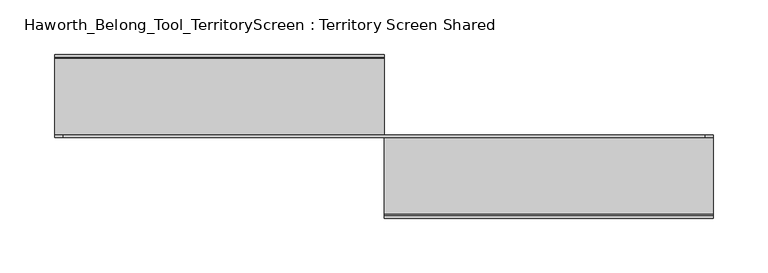
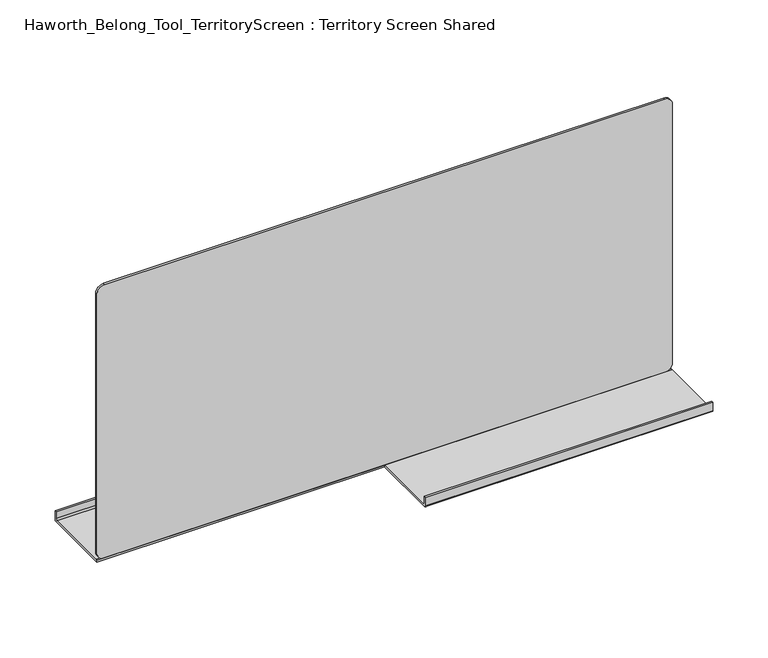
"""IFC4 building model written with IfcOpenShell, lengths in millimetres: furniture geometry, Haworth_Belong_Tool_TerritoryScreen : Territory Screen Shared."""

import ifcopenshell
import ifcopenshell.guid

model = None  # the IFC model being written
_history = None  # IfcOwnerHistory: only IFC2X3 demands one
_inside = {}  # id of a spatial element -> (the spatial element, [elements in it])
_under = {}  # id of a project, library or spatial element -> (it, [spatial elements below it])
_declared = {}  # id of a project -> (the project, [libraries it declares])
_typed = {}  # id of a type object -> (the type object, [elements of that type])
_made_of = {}  # id of a material, layer set ... -> (it, [elements and type objects made of it])


def new_model(schema):
    """Start an empty IFC model of exactly this schema.

    Asked for "IFC4X3", IfcOpenShell would pick the latest addendum, in which some entities
    have other attributes; the version numbers below select the first issue.
    IFC2X3 requires an IfcOwnerHistory on every rooted entity: one is made here for all.
    """
    global model, _history
    if schema == "IFC4X3":
        model = ifcopenshell.file(schema_version=(4, 3, 0, 0))
    else:
        model = ifcopenshell.file(schema=schema)
    _inside.clear()
    _under.clear()
    _declared.clear()
    _typed.clear()
    _made_of.clear()
    _history = None
    if model.schema == "IFC2X3":
        org = make("IfcOrganization", Name="unknown")
        user = make(
            "IfcPersonAndOrganization",
            ThePerson=make("IfcPerson", FamilyName="unknown"),
            TheOrganization=org,
        )
        app = make(
            "IfcApplication",
            ApplicationDeveloper=org,
            Version="unknown",
            ApplicationFullName="unknown",
            ApplicationIdentifier="unknown",
        )
        _history = make(
            "IfcOwnerHistory",
            OwningUser=user,
            OwningApplication=app,
            ChangeAction="ADDED",
            CreationDate=0,
        )
    return model


def make(cls, **values):
    """One entity of the class cls with the attributes given. An attribute that is None is left unset."""
    return model.create_entity(
        cls, **{name: value for name, value in values.items() if value is not None}
    )


def rooted(cls, **values):
    """An entity with a GlobalId (a new one), such as an element, a storey or a relation."""
    return make(cls, GlobalId=ifcopenshell.guid.new(), OwnerHistory=_history, **values)


def si_unit(unit_type, name, prefix=None):
    """IfcSIUnit, for example si_unit("LENGTHUNIT", "METRE", prefix="MILLI")."""
    return make("IfcSIUnit", UnitType=unit_type, Prefix=prefix, Name=name)


def assignment(units):
    """IfcUnitAssignment: the units of a project."""
    return None if units is None else make("IfcUnitAssignment", Units=units)


def point(xyz):
    """IfcCartesianPoint."""
    return None if xyz is None else make("IfcCartesianPoint", Coordinates=xyz)


def direction(xyz):
    """IfcDirection."""
    return None if xyz is None else make("IfcDirection", DirectionRatios=xyz)


def frame(location, z_axis=None, x_axis=None):
    """IfcAxis2Placement3D, a coordinate frame: its origin and axes. An axis left out is left unset."""
    return make(
        "IfcAxis2Placement3D",
        Location=point(location),
        Axis=direction(z_axis),
        RefDirection=direction(x_axis),
    )


def frame_2d(location, x_axis=None):
    """IfcAxis2Placement2D, a coordinate frame in the plane: its origin and x axis."""
    return make(
        "IfcAxis2Placement2D", Location=point(location), RefDirection=direction(x_axis)
    )


def origin():
    """The frame at (0, 0, 0) with its axes left unset."""
    return frame((0.0, 0.0, 0.0))


def place(relative_to, where):
    """IfcLocalPlacement: puts the frame where relative to a parent placement (None: the world)."""
    return make(
        "IfcLocalPlacement", PlacementRelTo=relative_to, RelativePlacement=where
    )


def context(
    kind, dimensions, precision=None, world=None, true_north=None, identifier=None
):
    """IfcGeometricRepresentationContext, for example the 3D "Model" context."""
    return make(
        "IfcGeometricRepresentationContext",
        ContextIdentifier=identifier,
        ContextType=kind,
        CoordinateSpaceDimension=dimensions,
        Precision=precision,
        WorldCoordinateSystem=world,
        TrueNorth=true_north,
    )


def project(units=None, contexts=None):
    """IfcProject with its units and contexts."""
    return rooted(
        "IfcProject",
        Name="project",
        RepresentationContexts=contexts,
        UnitsInContext=assignment(units),
    )


def spatial(cls, under=None, at=None, **own):
    """A site, building, storey or space (cls), placed at a placement, below another one or the project."""
    s = rooted(cls, ObjectPlacement=at, **own)
    if under is not None:
        _under.setdefault(under.id(), (under, []))[1].append(s)
    return s


def polyline(points):
    """IfcPolyline through the points."""
    return make("IfcPolyline", Points=[point(p) for p in points])


def circle_curve(where, radius):
    """IfcCircle in the frame where."""
    return make("IfcCircle", Position=where, Radius=radius)


def trimmed(basis, trim1, trim2, sense, master):
    """IfcTrimmedCurve: the piece of a basis curve between two trims."""
    return make(
        "IfcTrimmedCurve",
        BasisCurve=basis,
        Trim1=trim1,
        Trim2=trim2,
        SenseAgreement=sense,
        MasterRepresentation=master,
    )


def segment(curve, same_sense, transition):
    """IfcCompositeCurveSegment."""
    return make(
        "IfcCompositeCurveSegment",
        Transition=transition,
        SameSense=same_sense,
        ParentCurve=curve,
    )


def composite_curve(segments, self_intersect=None):
    """IfcCompositeCurve: segments joined end to end."""
    return make("IfcCompositeCurve", Segments=segments, SelfIntersect=self_intersect)


def outline(outer, holes=None, kind="AREA"):
    """IfcArbitraryClosedProfileDef: a profile drawn as a closed curve; with holes, ...WithVoids."""
    if holes is None:
        return make("IfcArbitraryClosedProfileDef", ProfileType=kind, OuterCurve=outer)
    return make(
        "IfcArbitraryProfileDefWithVoids",
        ProfileType=kind,
        OuterCurve=outer,
        InnerCurves=holes,
    )


def extrude(swept, where, along, depth):
    """IfcExtrudedAreaSolid: the profile swept, set in the frame where, extruded along a direction by depth."""
    return make(
        "IfcExtrudedAreaSolid",
        SweptArea=swept,
        Position=where,
        ExtrudedDirection=direction(along),
        Depth=depth,
    )


def shape(context_of_items, identifier, shape_type, items):
    """IfcShapeRepresentation: the items that make up one representation, for example the "Body"."""
    return make(
        "IfcShapeRepresentation",
        ContextOfItems=context_of_items,
        RepresentationIdentifier=identifier,
        RepresentationType=shape_type,
        Items=items,
    )


def source(mapping_origin, context_of_items, identifier, shape_type, items):
    """IfcRepresentationMap: a shape defined once, which mapped items show again and again."""
    return make(
        "IfcRepresentationMap",
        MappingOrigin=mapping_origin,
        MappedRepresentation=shape(context_of_items, identifier, shape_type, items),
    )


def transform(
    local_origin,
    x_axis=None,
    y_axis=None,
    z_axis=None,
    scale=None,
    scale2=None,
    scale3=None,
    uniform=True,
):
    """IfcCartesianTransformationOperator3D, or its non-uniform kind. x_axis, y_axis, z_axis: its Axis1, 2, 3."""
    if uniform:
        return make(
            "IfcCartesianTransformationOperator3D",
            Axis1=direction(x_axis),
            Axis2=direction(y_axis),
            LocalOrigin=point(local_origin),
            Scale=scale,
            Axis3=direction(z_axis),
        )
    return make(
        "IfcCartesianTransformationOperator3DnonUniform",
        Axis1=direction(x_axis),
        Axis2=direction(y_axis),
        LocalOrigin=point(local_origin),
        Scale=scale,
        Axis3=direction(z_axis),
        Scale2=scale2,
        Scale3=scale3,
    )


def mapped(mapping_source, mapping_target):
    """IfcMappedItem: shows the shape of a source again, moved by a transform."""
    return make(
        "IfcMappedItem", MappingSource=mapping_source, MappingTarget=mapping_target
    )


def made_of(thing, what):
    """Note that an element or type object is made of a material, layer set ...; save() writes the relation."""
    if what is not None:
        _made_of.setdefault(what.id(), (what, []))[1].append(thing)
    return thing


def element(
    cls,
    number,
    at=None,
    inside=None,
    cuts=None,
    type_object=None,
    material=None,
    context=None,
    identifier="Body",
    shape_type=None,
    held_by="IfcProductDefinitionShape",
    body=None,
    shapes=None,
    **own,
):
    """One element of the class cls, such as IfcWall. Its Tag is "e" and its number.

    at: its placement. inside: the storey or other place that contains it. cuts: it is an
    opening in that element (IfcRelVoidsElement). A single representation is given by context,
    identifier, shape_type and body (its items); several are given by shapes. held_by: the class
    of the entity that holds the representations. save() writes the other relations.
    """
    e = rooted(cls, Tag="e%d" % number, ObjectPlacement=at, **own)
    if body is not None:
        shapes = [shape(context, identifier, shape_type, body)]
    if shapes is not None:
        e.Representation = make(held_by, Representations=shapes)
    if inside is not None:
        _inside.setdefault(inside.id(), (inside, []))[1].append(e)
    if cuts is not None:
        rooted(
            "IfcRelVoidsElement", RelatingBuildingElement=cuts, RelatedOpeningElement=e
        )
    if type_object is not None:
        _typed.setdefault(type_object.id(), (type_object, []))[1].append(e)
    return made_of(e, material)


def aggregate(whole, parts):
    """IfcRelAggregates: a whole, such as a stair, and the parts it consists of."""
    return rooted("IfcRelAggregates", RelatingObject=whole, RelatedObjects=parts)


def save(model, path):
    """Write the relations noted so far, then the file.

    IfcRelAggregates (storeys below a building ...), IfcRelContainedInSpatialStructure (elements
    in a storey), IfcRelDefinesByType, IfcRelAssociatesMaterial and IfcRelDeclares: one each for
    every whole, place, type object, material and project.
    """
    for whole, parts in _under.values():
        aggregate(whole, parts)
    for where, things in _inside.values():
        rooted(
            "IfcRelContainedInSpatialStructure",
            RelatedElements=things,
            RelatingStructure=where,
        )
    for kind, things in _typed.values():
        rooted("IfcRelDefinesByType", RelatedObjects=things, RelatingType=kind)
    for what, things in _made_of.values():
        rooted("IfcRelAssociatesMaterial", RelatedObjects=things, RelatingMaterial=what)
    for by, libraries in _declared.values():
        rooted("IfcRelDeclares", RelatingContext=by, RelatedDefinitions=libraries)
    model.write(path)


def haworth_belong_tool_territoryscreen_territory_screen_shared_3ff701a0(model_context):
    return source(origin(), model_context, "Body", "SweptSolid", [
        extrude(outline(composite_curve([segment(polyline([(1.0914062, 736.6), (-73.4599368, 736.6)]), True, "CONTINUOUS"), segment(trimmed(circle_curve(frame_2d((-73.4599368, 738.1875)), 1.5875), [point((-73.4599368, 736.6))], [point((-75.0474368, 738.1875))], False, "CARTESIAN"), True, "CONTINUOUS"), segment(polyline([(-75.0474368, 738.1875), (-75.0474368, 747.4073175), (-72.8884343, 747.4073175), (-72.8884343, 740.1048174)]), True, "CONTINUOUS"), segment(trimmed(circle_curve(frame_2d((-71.3009343, 740.1048174)), 1.5875), [point((-72.8884343, 740.1048174))], [point((-71.3009343, 738.5173174))], True, "CARTESIAN"), True, "CONTINUOUS"), segment(polyline([(-71.3009343, 738.5173174), (-1.0914063, 738.5173174), (1.0914062, 738.5173174), (1.0914062, 736.6)]), True, "CONTINUOUS")], self_intersect=False)), frame((-32.6645436, 0.0, 0.0), z_axis=(1.0, 0.0, 0.0), x_axis=(0.0, 1.0, 0.0)), (0.0, 0.0, 1.0), 301.625),
        extrude(outline(composite_curve([segment(polyline([(-1.0914062, 736.6), (-1.0914062, 738.5173174), (1.0914062, 738.5173174), (71.3009343, 738.5173174)]), True, "CONTINUOUS"), segment(trimmed(circle_curve(frame_2d((71.3009343, 740.1048174)), 1.5875), [point((71.3009343, 738.5173174))], [point((72.8884343, 740.1048174))], True, "CARTESIAN"), True, "CONTINUOUS"), segment(polyline([(72.8884343, 740.1048174), (72.8884343, 747.4073175), (75.0474368, 747.4073175), (75.0474368, 738.1875)]), True, "CONTINUOUS"), segment(trimmed(circle_curve(frame_2d((73.4599368, 738.1875)), 1.5875), [point((75.0474368, 738.1875))], [point((73.4599368, 736.6))], False, "CARTESIAN"), True, "CONTINUOUS"), segment(polyline([(73.4599368, 736.6), (-1.0914062, 736.6)]), True, "CONTINUOUS")], self_intersect=False)), frame((-334.2895436, 0.0, 0.0), z_axis=(1.0, 0.0, 0.0), x_axis=(0.0, 1.0, 0.0)), (0.0, 0.0, 1.0), 301.625),
        extrude(outline(composite_curve([segment(polyline([(1041.4, 261.0229564), (1041.4, -326.3520436)]), True, "CONTINUOUS"), segment(trimmed(circle_curve(frame_2d((1033.4625, -326.3520436)), 7.9375), [point((1041.4, -326.3520436))], [point((1033.4625, -334.2895436))], False, "CARTESIAN"), True, "CONTINUOUS"), segment(polyline([(1033.4625, -334.2895436), (746.4548174, -334.2895436)]), True, "CONTINUOUS"), segment(trimmed(circle_curve(frame_2d((746.4548174, -326.3520436)), 7.9375), [point((746.4548174, -334.2895436))], [point((738.5173174, -326.3520436))], False, "CARTESIAN"), True, "CONTINUOUS"), segment(polyline([(738.5173174, -326.3520436), (738.5173174, 261.0229564)]), True, "CONTINUOUS"), segment(trimmed(circle_curve(frame_2d((746.4548174, 261.0229564)), 7.9375), [point((738.5173174, 261.0229564))], [point((746.4548174, 268.9604564))], False, "CARTESIAN"), True, "CONTINUOUS"), segment(polyline([(746.4548174, 268.9604564), (1033.4625, 268.9604564)]), True, "CONTINUOUS"), segment(trimmed(circle_curve(frame_2d((1033.4625, 261.0229564)), 7.9375), [point((1033.4625, 268.9604564))], [point((1041.4, 261.0229564))], False, "CARTESIAN"), True, "CONTINUOUS")], self_intersect=False)), frame((0.0, -1.0914063, 0.0), z_axis=(0.0, 1.0, 0.0), x_axis=(0.0, 0.0, 1.0)), (0.0, 0.0, 1.0), 2.1828125),
    ])


if __name__ == "__main__":
    model = new_model("IFC4")
    model_context = context("Model", 3, world=origin())
    ifc_project = project(units=[si_unit("LENGTHUNIT", "METRE", prefix="MILLI")], contexts=[model_context])
    site = spatial("IfcSite", under=ifc_project)
    building = spatial("IfcBuilding", under=site)
    placement = place(None, origin())
    haworth_belong_tool_territoryscreen_territory_screen_shared_shape = haworth_belong_tool_territoryscreen_territory_screen_shared_3ff701a0(model_context)
    element("IfcFurniture", 1, ObjectType="Haworth_Belong_Tool_TerritoryScreen : Territory Screen Shared", at=placement, inside=building, context=model_context, shape_type="MappedRepresentation", body=[
        mapped(haworth_belong_tool_territoryscreen_territory_screen_shared_shape, transform((0.0, 0.0, 0.0), x_axis=(1.0, 0.0, 0.0), y_axis=(0.0, 1.0, 0.0), z_axis=(0.0, 0.0, 1.0))),
    ])
    save(model, "model.ifc")
